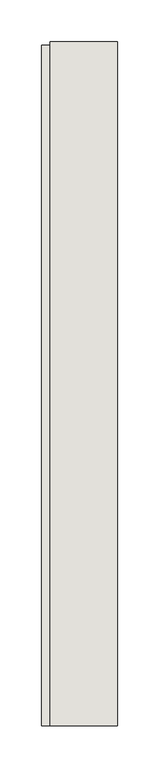
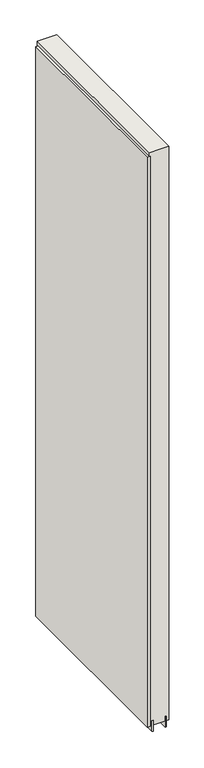
"""IFC4 building model written with IfcOpenShell, lengths in millimetres: wall geometry."""

from ifc_helpers import new_model, si_unit, frame, origin, place, context, project, spatial, polyline, outline, extrude, source, transform, mapped, element, save


def wall_4c422ce1(model_context):
    return source(origin(), model_context, "Body", "SweptSolid", [
        extrude(outline(polyline([(48920.373965, -46794.4348844), (48920.373965, -46796.9748844), (48917.833965, -46796.9748844), (48917.833965, -46794.4348844), (48920.373965, -46794.4348844)])), frame((0.0, 0.0, 4419.6), z_axis=(0.0, 0.0, 1.0), x_axis=(1.0, 0.0, 0.0)), (0.0, 0.0, 1.0), 2.54),
        extrude(outline(polyline([(48868.303965, -47615.9007548), (48868.303965, -46798.9006108), (48881.003965, -46798.9006108), (48881.003965, -47615.9007548), (48868.303965, -47615.9007548)])), frame((0.0, 0.0, 4445.0), z_axis=(0.0, 0.0, 1.0), x_axis=(1.0, 0.0, 0.0)), (0.0, 0.0, 1.0), 2545.0498756),
        extrude(outline(polyline([(48894.010924, -46794.446035), (48894.010924, -47615.4253938), (48888.9290444, -47615.4253938), (48888.9290444, -46794.446035), (48894.010924, -46794.446035)])), frame((0.0, 0.0, 4418.6602), z_axis=(0.0, 0.0, 1.0), x_axis=(1.0, 0.0, 0.0)), (0.0, 0.0, 1.0), 47.625),
        extrude(outline(polyline([(48894.010924, -46794.446035), (48894.010924, -47615.4253938), (48888.9290444, -47615.4253938), (48888.9290444, -46794.446035), (48894.010924, -46794.446035)])), frame((0.0, 0.0, 4418.6602), z_axis=(0.0, 0.0, 1.0), x_axis=(1.0, 0.0, 0.0)), (0.0, 0.0, 1.0), 47.625),
        extrude(outline(polyline([(48944.2001048, -47615.4253938), (48944.2001048, -46794.446035), (48949.2540444, -46794.446035), (48949.2540444, -47615.4253938), (48944.2001048, -47615.4253938)])), frame((0.0, 0.0, 4418.6602), z_axis=(0.0, 0.0, 1.0), x_axis=(1.0, 0.0, 0.0)), (0.0, 0.0, 1.0), 47.625),
        extrude(outline(polyline([(48944.2001048, -47615.4253938), (48944.2001048, -46794.446035), (48949.2540444, -46794.446035), (48949.2540444, -47615.4253938), (48944.2001048, -47615.4253938)])), frame((0.0, 0.0, 4418.6602), z_axis=(0.0, 0.0, 1.0), x_axis=(1.0, 0.0, 0.0)), (0.0, 0.0, 1.0), 47.625),
        extrude(outline(polyline([(48878.4645746, -46794.446035), (48959.74333, -46794.446035), (48959.74333, -47615.4253938), (48878.4645746, -47615.4253938), (48878.4645746, -46794.446035)])), frame((0.0, 0.0, 4445.0), z_axis=(0.0, 0.0, 1.0), x_axis=(1.0, 0.0, 0.0)), (0.0, 0.0, 1.0), 2562.4536762),
    ])


if __name__ == "__main__":
    model = new_model("IFC4")
    model_context = context("Model", 3, world=origin())
    ifc_project = project(units=[si_unit("LENGTHUNIT", "METRE", prefix="MILLI")], contexts=[model_context])
    site = spatial("IfcSite", under=ifc_project)
    building = spatial("IfcBuilding", under=site)
    placement = place(None, origin())
    wall_shape = wall_4c422ce1(model_context)
    element("IfcWall", 1, at=placement, inside=building, context=model_context, shape_type="MappedRepresentation", body=[
        mapped(wall_shape, transform((0.0, 0.0, 0.0), x_axis=(1.0, 0.0, 0.0), y_axis=(0.0, 1.0, 0.0), z_axis=(0.0, 0.0, 1.0))),
    ])
    save(model, "model.ifc")
